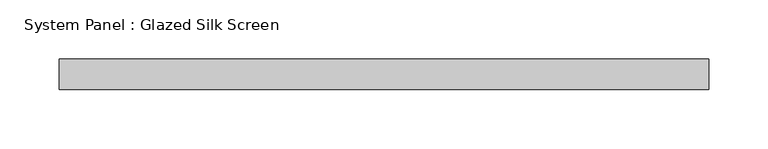
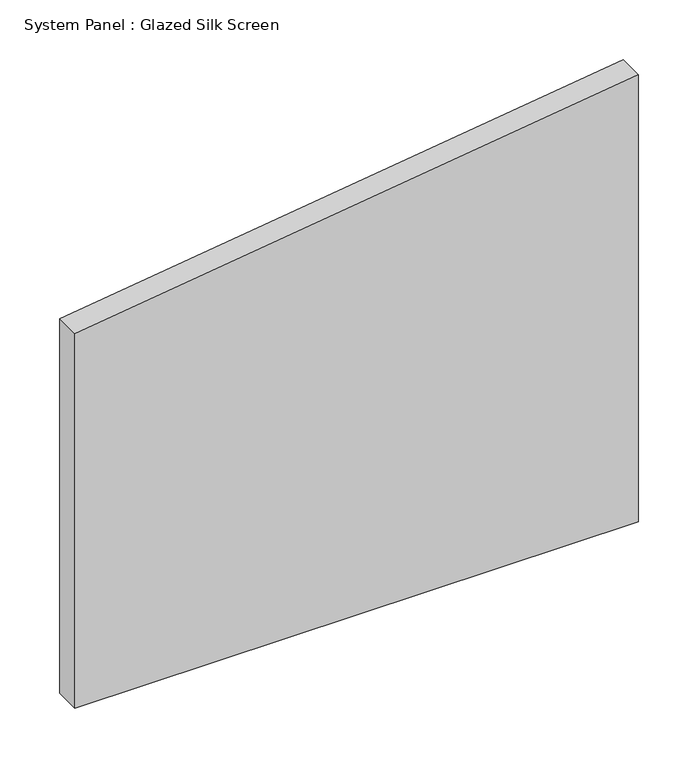
"""IFC4 building model written with IfcOpenShell, lengths in millimetres: plate geometry, System Panel : Glazed Silk Screen."""

import ifcopenshell
import ifcopenshell.guid

model = None  # the IFC model being written
_history = None  # IfcOwnerHistory: only IFC2X3 demands one
_inside = {}  # id of a spatial element -> (the spatial element, [elements in it])
_under = {}  # id of a project, library or spatial element -> (it, [spatial elements below it])
_declared = {}  # id of a project -> (the project, [libraries it declares])
_typed = {}  # id of a type object -> (the type object, [elements of that type])
_made_of = {}  # id of a material, layer set ... -> (it, [elements and type objects made of it])


def new_model(schema):
    """Start an empty IFC model of exactly this schema.

    Asked for "IFC4X3", IfcOpenShell would pick the latest addendum, in which some entities
    have other attributes; the version numbers below select the first issue.
    IFC2X3 requires an IfcOwnerHistory on every rooted entity: one is made here for all.
    """
    global model, _history
    if schema == "IFC4X3":
        model = ifcopenshell.file(schema_version=(4, 3, 0, 0))
    else:
        model = ifcopenshell.file(schema=schema)
    _inside.clear()
    _under.clear()
    _declared.clear()
    _typed.clear()
    _made_of.clear()
    _history = None
    if model.schema == "IFC2X3":
        org = make("IfcOrganization", Name="unknown")
        user = make(
            "IfcPersonAndOrganization",
            ThePerson=make("IfcPerson", FamilyName="unknown"),
            TheOrganization=org,
        )
        app = make(
            "IfcApplication",
            ApplicationDeveloper=org,
            Version="unknown",
            ApplicationFullName="unknown",
            ApplicationIdentifier="unknown",
        )
        _history = make(
            "IfcOwnerHistory",
            OwningUser=user,
            OwningApplication=app,
            ChangeAction="ADDED",
            CreationDate=0,
        )
    return model


def make(cls, **values):
    """One entity of the class cls with the attributes given. An attribute that is None is left unset."""
    return model.create_entity(
        cls, **{name: value for name, value in values.items() if value is not None}
    )


def rooted(cls, **values):
    """An entity with a GlobalId (a new one), such as an element, a storey or a relation."""
    return make(cls, GlobalId=ifcopenshell.guid.new(), OwnerHistory=_history, **values)


def si_unit(unit_type, name, prefix=None):
    """IfcSIUnit, for example si_unit("LENGTHUNIT", "METRE", prefix="MILLI")."""
    return make("IfcSIUnit", UnitType=unit_type, Prefix=prefix, Name=name)


def assignment(units):
    """IfcUnitAssignment: the units of a project."""
    return None if units is None else make("IfcUnitAssignment", Units=units)


def point(xyz):
    """IfcCartesianPoint."""
    return None if xyz is None else make("IfcCartesianPoint", Coordinates=xyz)


def direction(xyz):
    """IfcDirection."""
    return None if xyz is None else make("IfcDirection", DirectionRatios=xyz)


def frame(location, z_axis=None, x_axis=None):
    """IfcAxis2Placement3D, a coordinate frame: its origin and axes. An axis left out is left unset."""
    return make(
        "IfcAxis2Placement3D",
        Location=point(location),
        Axis=direction(z_axis),
        RefDirection=direction(x_axis),
    )


def origin():
    """The frame at (0, 0, 0) with its axes left unset."""
    return frame((0.0, 0.0, 0.0))


def place(relative_to, where):
    """IfcLocalPlacement: puts the frame where relative to a parent placement (None: the world)."""
    return make(
        "IfcLocalPlacement", PlacementRelTo=relative_to, RelativePlacement=where
    )


def context(
    kind, dimensions, precision=None, world=None, true_north=None, identifier=None
):
    """IfcGeometricRepresentationContext, for example the 3D "Model" context."""
    return make(
        "IfcGeometricRepresentationContext",
        ContextIdentifier=identifier,
        ContextType=kind,
        CoordinateSpaceDimension=dimensions,
        Precision=precision,
        WorldCoordinateSystem=world,
        TrueNorth=true_north,
    )


def project(units=None, contexts=None):
    """IfcProject with its units and contexts."""
    return rooted(
        "IfcProject",
        Name="project",
        RepresentationContexts=contexts,
        UnitsInContext=assignment(units),
    )


def spatial(cls, under=None, at=None, **own):
    """A site, building, storey or space (cls), placed at a placement, below another one or the project."""
    s = rooted(cls, ObjectPlacement=at, **own)
    if under is not None:
        _under.setdefault(under.id(), (under, []))[1].append(s)
    return s


def polyline(points):
    """IfcPolyline through the points."""
    return make("IfcPolyline", Points=[point(p) for p in points])


def outline(outer, holes=None, kind="AREA"):
    """IfcArbitraryClosedProfileDef: a profile drawn as a closed curve; with holes, ...WithVoids."""
    if holes is None:
        return make("IfcArbitraryClosedProfileDef", ProfileType=kind, OuterCurve=outer)
    return make(
        "IfcArbitraryProfileDefWithVoids",
        ProfileType=kind,
        OuterCurve=outer,
        InnerCurves=holes,
    )


def extrude(swept, where, along, depth):
    """IfcExtrudedAreaSolid: the profile swept, set in the frame where, extruded along a direction by depth."""
    return make(
        "IfcExtrudedAreaSolid",
        SweptArea=swept,
        Position=where,
        ExtrudedDirection=direction(along),
        Depth=depth,
    )


def shape(context_of_items, identifier, shape_type, items):
    """IfcShapeRepresentation: the items that make up one representation, for example the "Body"."""
    return make(
        "IfcShapeRepresentation",
        ContextOfItems=context_of_items,
        RepresentationIdentifier=identifier,
        RepresentationType=shape_type,
        Items=items,
    )


def source(mapping_origin, context_of_items, identifier, shape_type, items):
    """IfcRepresentationMap: a shape defined once, which mapped items show again and again."""
    return make(
        "IfcRepresentationMap",
        MappingOrigin=mapping_origin,
        MappedRepresentation=shape(context_of_items, identifier, shape_type, items),
    )


def transform(
    local_origin,
    x_axis=None,
    y_axis=None,
    z_axis=None,
    scale=None,
    scale2=None,
    scale3=None,
    uniform=True,
):
    """IfcCartesianTransformationOperator3D, or its non-uniform kind. x_axis, y_axis, z_axis: its Axis1, 2, 3."""
    if uniform:
        return make(
            "IfcCartesianTransformationOperator3D",
            Axis1=direction(x_axis),
            Axis2=direction(y_axis),
            LocalOrigin=point(local_origin),
            Scale=scale,
            Axis3=direction(z_axis),
        )
    return make(
        "IfcCartesianTransformationOperator3DnonUniform",
        Axis1=direction(x_axis),
        Axis2=direction(y_axis),
        LocalOrigin=point(local_origin),
        Scale=scale,
        Axis3=direction(z_axis),
        Scale2=scale2,
        Scale3=scale3,
    )


def mapped(mapping_source, mapping_target):
    """IfcMappedItem: shows the shape of a source again, moved by a transform."""
    return make(
        "IfcMappedItem", MappingSource=mapping_source, MappingTarget=mapping_target
    )


def made_of(thing, what):
    """Note that an element or type object is made of a material, layer set ...; save() writes the relation."""
    if what is not None:
        _made_of.setdefault(what.id(), (what, []))[1].append(thing)
    return thing


def element(
    cls,
    number,
    at=None,
    inside=None,
    cuts=None,
    type_object=None,
    material=None,
    context=None,
    identifier="Body",
    shape_type=None,
    held_by="IfcProductDefinitionShape",
    body=None,
    shapes=None,
    **own,
):
    """One element of the class cls, such as IfcWall. Its Tag is "e" and its number.

    at: its placement. inside: the storey or other place that contains it. cuts: it is an
    opening in that element (IfcRelVoidsElement). A single representation is given by context,
    identifier, shape_type and body (its items); several are given by shapes. held_by: the class
    of the entity that holds the representations. save() writes the other relations.
    """
    e = rooted(cls, Tag="e%d" % number, ObjectPlacement=at, **own)
    if body is not None:
        shapes = [shape(context, identifier, shape_type, body)]
    if shapes is not None:
        e.Representation = make(held_by, Representations=shapes)
    if inside is not None:
        _inside.setdefault(inside.id(), (inside, []))[1].append(e)
    if cuts is not None:
        rooted(
            "IfcRelVoidsElement", RelatingBuildingElement=cuts, RelatedOpeningElement=e
        )
    if type_object is not None:
        _typed.setdefault(type_object.id(), (type_object, []))[1].append(e)
    return made_of(e, material)


def aggregate(whole, parts):
    """IfcRelAggregates: a whole, such as a stair, and the parts it consists of."""
    return rooted("IfcRelAggregates", RelatingObject=whole, RelatedObjects=parts)


def save(model, path):
    """Write the relations noted so far, then the file.

    IfcRelAggregates (storeys below a building ...), IfcRelContainedInSpatialStructure (elements
    in a storey), IfcRelDefinesByType, IfcRelAssociatesMaterial and IfcRelDeclares: one each for
    every whole, place, type object, material and project.
    """
    for whole, parts in _under.values():
        aggregate(whole, parts)
    for where, things in _inside.values():
        rooted(
            "IfcRelContainedInSpatialStructure",
            RelatedElements=things,
            RelatingStructure=where,
        )
    for kind, things in _typed.values():
        rooted("IfcRelDefinesByType", RelatedObjects=things, RelatingType=kind)
    for what, things in _made_of.values():
        rooted("IfcRelAssociatesMaterial", RelatedObjects=things, RelatingMaterial=what)
    for by, libraries in _declared.values():
        rooted("IfcRelDeclares", RelatingContext=by, RelatedDefinitions=libraries)
    model.write(path)


def system_panel_glazed_silk_screen_cb0a783f(model_context):
    return source(origin(), model_context, "Body", "SweptSolid", [
        extrude(outline(polyline([(0.0, -273.05), (0.0, 273.05), (458.1382468, 273.05), (383.8995952, -273.05), (0.0, -273.05)])), frame((0.0, 19.05, 0.0), z_axis=(0.0, 1.0, 0.0), x_axis=(0.0, 0.0, 1.0)), (0.0, 0.0, 1.0), 25.4),
    ])


if __name__ == "__main__":
    model = new_model("IFC4")
    model_context = context("Model", 3, world=origin())
    ifc_project = project(units=[si_unit("LENGTHUNIT", "METRE", prefix="MILLI")], contexts=[model_context])
    site = spatial("IfcSite", under=ifc_project)
    building = spatial("IfcBuilding", under=site)
    placement = place(None, origin())
    system_panel_glazed_silk_screen_shape = system_panel_glazed_silk_screen_cb0a783f(model_context)
    element("IfcPlate", 1, ObjectType="System Panel : Glazed Silk Screen", at=placement, inside=building, context=model_context, shape_type="MappedRepresentation", body=[
        mapped(system_panel_glazed_silk_screen_shape, transform((0.0, 0.0, 0.0), x_axis=(1.0, 0.0, 0.0), y_axis=(0.0, 1.0, 0.0), z_axis=(0.0, 0.0, 1.0))),
    ])
    save(model, "model.ifc")
